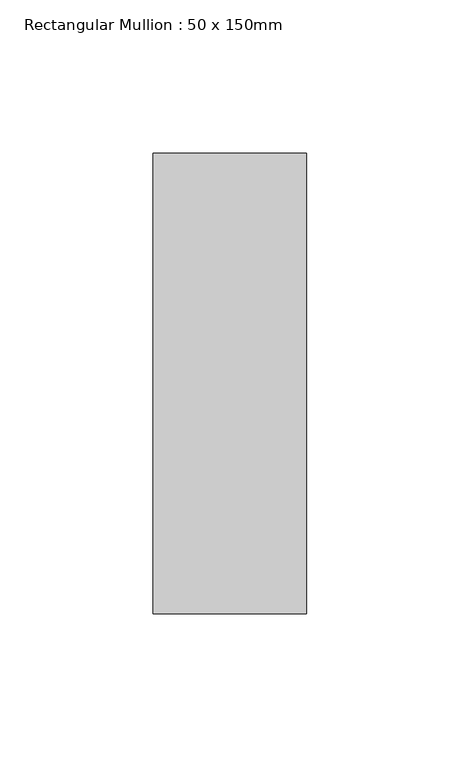
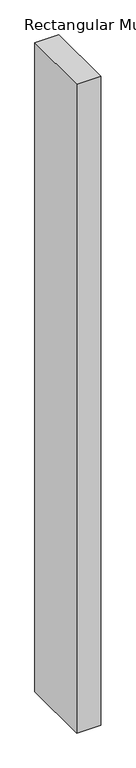
"""IFC4 building model written with IfcOpenShell, lengths in millimetres: member geometry, Rectangular Mullion : 50 x 150mm."""

from ifc_helpers import new_model, si_unit, frame, origin, place, context, project, spatial, polyline, outline, extrude, source, transform, mapped, element, save


def rectangular_mullion_50_x_150mm_751a5dca(model_context):
    return source(origin(), model_context, "Body", "SweptSolid", [
        extrude(outline(polyline([(0.0, 75.0), (0.0, -75.0), (-50.0, -75.0), (-50.0, 75.0), (0.0, 75.0)])), frame((0.0, 0.0, -1425.0), z_axis=(0.0, 0.0, 1.0), x_axis=(1.0, 0.0, 0.0)), (0.0, 0.0, 1.0), 1425.0),
    ])


if __name__ == "__main__":
    model = new_model("IFC4")
    model_context = context("Model", 3, world=origin())
    ifc_project = project(units=[si_unit("LENGTHUNIT", "METRE", prefix="MILLI")], contexts=[model_context])
    site = spatial("IfcSite", under=ifc_project)
    building = spatial("IfcBuilding", under=site)
    placement = place(None, origin())
    rectangular_mullion_50_x_150mm_shape = rectangular_mullion_50_x_150mm_751a5dca(model_context)
    element("IfcMember", 1, ObjectType="Rectangular Mullion : 50 x 150mm", at=placement, inside=building, context=model_context, shape_type="MappedRepresentation", body=[
        mapped(rectangular_mullion_50_x_150mm_shape, transform((0.0, 0.0, 0.0), x_axis=(1.0, 0.0, 0.0), y_axis=(0.0, 1.0, 0.0), z_axis=(0.0, 0.0, 1.0))),
    ])
    save(model, "model.ifc")
